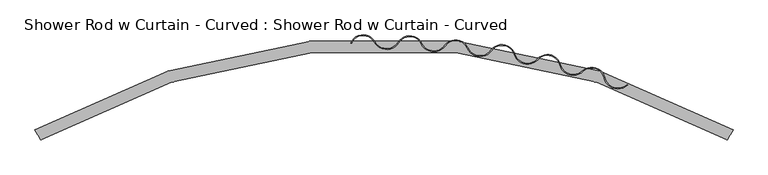
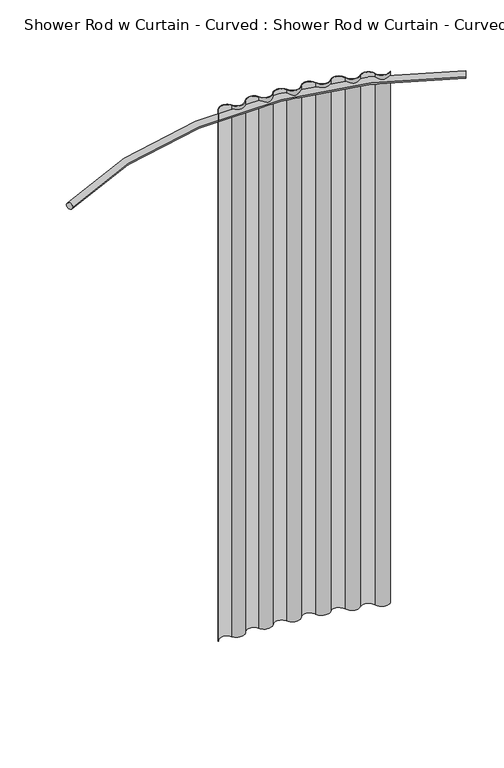
"""IFC4 building model written with IfcOpenShell, lengths in millimetres: proxy geometry, Shower Rod w Curtain - Curved : Shower Rod w Curtain - Curved."""

from ifc_helpers import new_model, si_unit, point, frame, frame_2d, origin, origin_with_axes, place, context, project, spatial, polyline, circle_curve, ellipse_curve, trimmed, segment, composite_curve, outline, extrude, source, transform, mapped, element, save
from ifc_brep_helpers import plane_surface, revolved_surface, advanced_brep


def shower_rod_w_curtain_curved_shower_rod_w_curtain_curved_4cc9c73f(model_context):
    return source(origin(), model_context, "Body", "SolidModel", [
        extrude(outline(composite_curve([segment(trimmed(circle_curve(frame_2d((514.8297848, 702.8859339)), 29.5590224), [point((486.0010068, 696.3562049))], [point((534.3146778, 680.6581416))], True, "CARTESIAN"), True, "CONTINUOUS"), segment(polyline([(534.3146778, 680.6581416), (536.0561093, 680.0923162)]), True, "CONTINUOUS"), segment(trimmed(circle_curve(frame_2d((514.8297848, 702.8859339)), 31.1465224), [point((536.0561093, 680.0923162))], [point((484.4527254, 696.0055186))], False, "CARTESIAN"), True, "CONTINUOUS"), segment(trimmed(circle_curve(frame_2d((457.1722287, 689.8264759)), 27.9715224), [point((484.4527254, 696.0055186))], [point((438.7337935, 710.8605))], True, "CARTESIAN"), True, "CONTINUOUS"), segment(trimmed(circle_curve(frame_2d((416.7249138, 732.8994444)), 31.1465224), [point((438.7337935, 710.8605))], [point((386.6064822, 724.9630764))], False, "CARTESIAN"), True, "CONTINUOUS"), segment(trimmed(circle_curve(frame_2d((359.5582496, 717.8357222)), 27.9715224), [point((386.6064822, 724.9630764))], [point((338.9803003, 736.7818054))], True, "CARTESIAN"), True, "CONTINUOUS"), segment(trimmed(circle_curve(frame_2d((315.8481538, 757.6386905)), 31.1465224), [point((338.9803003, 736.7818054))], [point((286.1863559, 748.136922))], False, "CARTESIAN"), True, "CONTINUOUS"), segment(trimmed(circle_curve(frame_2d((259.5482088, 739.6037405)), 27.9715224), [point((286.1863559, 748.136922))], [point((236.785781, 755.8603682))], True, "CARTESIAN"), True, "CONTINUOUS"), segment(trimmed(circle_curve(frame_2d((211.6002166, 774.1850293)), 31.1465224), [point((236.785781, 755.8603682))], [point((183.0941144, 761.6348104))], False, "CARTESIAN"), True, "CONTINUOUS"), segment(trimmed(circle_curve(frame_2d((157.4938542, 750.36393)), 27.9715224), [point((183.0941144, 761.6348104))], [point((135.380704, 767.4932805))], True, "CARTESIAN"), True, "CONTINUOUS"), segment(trimmed(circle_curve(frame_2d((109.5709605, 784.9278152)), 31.1465224), [point((135.380704, 767.4932805))], [point((81.5202198, 771.390393))], False, "CARTESIAN"), True, "CONTINUOUS"), segment(trimmed(circle_curve(frame_2d((56.3289027, 759.2329423)), 27.9715224), [point((81.5202198, 771.390393))], [point((32.5139452, 773.9044747))], True, "CARTESIAN"), True, "CONTINUOUS"), segment(trimmed(circle_curve(frame_2d((5.82712, 789.9643384)), 31.1465224), [point((32.5139452, 773.9044747))], [point((-21.4766842, 774.9774064))], False, "CARTESIAN"), True, "CONTINUOUS"), segment(trimmed(circle_curve(frame_2d((-45.9972057, 761.5182054)), 27.9715224), [point((-21.4766842, 774.9774064))], [point((-71.4433344, 773.132877))], True, "CARTESIAN"), True, "CONTINUOUS"), segment(polyline([(-71.4433344, 773.132877), (-73.2318291, 773.0078133)]), True, "CONTINUOUS"), segment(trimmed(circle_curve(frame_2d((-45.9972057, 761.5182054)), 29.5590224), [point((-73.2318291, 773.0078133))], [point((-20.0850428, 775.7412719))], False, "CARTESIAN"), True, "CONTINUOUS"), segment(trimmed(circle_curve(frame_2d((5.82712, 789.9643384)), 29.5590224), [point((-20.0850428, 775.7412719))], [point((30.9981259, 774.4673623))], True, "CARTESIAN"), True, "CONTINUOUS"), segment(trimmed(circle_curve(frame_2d((56.3289027, 759.2329423)), 29.5590224), [point((30.9981259, 774.4673623))], [point((82.9499316, 772.0803787))], False, "CARTESIAN"), True, "CONTINUOUS"), segment(trimmed(circle_curve(frame_2d((109.5709605, 784.9278152)), 29.5590224), [point((82.9499316, 772.0803787))], [point((134.0932828, 768.4235275))], True, "CARTESIAN"), True, "CONTINUOUS"), segment(trimmed(circle_curve(frame_2d((157.4938542, 750.36393)), 29.5590224), [point((134.0932828, 768.4235275))], [point((184.5470354, 762.2744796))], False, "CARTESIAN"), True, "CONTINUOUS"), segment(trimmed(circle_curve(frame_2d((211.6002166, 774.1850293)), 29.5590224), [point((184.5470354, 762.2744796))], [point((235.4980962, 756.7888471))], True, "CARTESIAN"), True, "CONTINUOUS"), segment(trimmed(circle_curve(frame_2d((259.5482088, 739.6037405)), 29.5590224), [point((235.4980962, 756.7888471))], [point((287.6981813, 748.6212155))], False, "CARTESIAN"), True, "CONTINUOUS"), segment(trimmed(circle_curve(frame_2d((315.8481538, 757.6386905)), 29.5590224), [point((287.6981813, 748.6212155))], [point((337.5997349, 737.6235832))], True, "CARTESIAN"), True, "CONTINUOUS"), segment(trimmed(circle_curve(frame_2d((359.5582496, 717.8357222)), 29.5590224), [point((337.5997349, 737.6235832))], [point((388.1415817, 725.3675833))], False, "CARTESIAN"), True, "CONTINUOUS"), segment(trimmed(circle_curve(frame_2d((416.7249138, 732.8994444)), 29.5590224), [point((388.1415817, 725.3675833))], [point((437.6475254, 712.0193073))], True, "CARTESIAN"), True, "CONTINUOUS"), segment(trimmed(circle_curve(frame_2d((457.1722287, 689.8264759)), 29.5590224), [point((437.6475254, 712.0193073))], [point((486.0010068, 696.3562049))], False, "CARTESIAN"), True, "CONTINUOUS")], self_intersect=False)), origin_with_axes(), (0.0, 0.0, 1.0), 2159.0),
        advanced_brep(
        [(-768.3236515, 580.9261929, 2133.6), (-755.6763485, 558.8988071, 2133.6), (768.3236515, 580.9261929, 2133.6), (755.6763485, 558.8988071, 2133.6)],
        [
            (0, 1, circle_curve(frame((-762.0, 569.9125, 2133.6), z_axis=(-0.8672199170124492, -0.49792531120331773, 0.0), x_axis=(0.49792531120331773, -0.8672199170124492, 0.0)), 12.7)),
            (1, 0, circle_curve(frame((-762.0, 569.9125, 2133.6), z_axis=(-0.8672199170124492, -0.49792531120331773, 0.0), x_axis=(0.49792531120331773, -0.8672199170124492, 0.0)), 12.7)),
            (2, 3, circle_curve(frame((762.0, 569.9125, 2133.6), z_axis=(0.8672199170124528, -0.4979253112033114, 0.0), x_axis=(-0.4979253112033114, -0.8672199170124528, 0.0)), 12.7)),
            (3, 2, circle_curve(frame((762.0, 569.9125, 2133.6), z_axis=(0.8672199170124528, -0.4979253112033114, 0.0), x_axis=(-0.4979253112033114, -0.8672199170124528, 0.0)), 12.7)),
            (3, 1, circle_curve(frame((0.0, -757.2375, 2133.6), z_axis=(0.0, 0.0, 1.0), x_axis=(-0.4979253112033232, 0.867219917012446, 0.0)), 1517.65)),
            (0, 2, circle_curve(frame((0.0, -757.2375, 2133.6), z_axis=(0.0, 0.0, -1.0), x_axis=(-0.4979253112033232, 0.867219917012446, 0.0)), 1543.05)),
        ],
        [
            plane_surface(frame((-762.0, 569.9125, 0.0), z_axis=(-0.867219917012446, -0.4979253112033232, 0.0), x_axis=(0.0, 0.0, 1.0))),
            plane_surface(frame((762.0, 569.9125, 0.0), z_axis=(0.867219917012456, -0.49792531120330596, 0.0), x_axis=(0.0, 0.0, 1.0))),
            revolved_surface(trimmed(ellipse_curve(frame((-762.0, 569.9125, 2133.6), z_axis=(-0.8672199170124492, -0.49792531120331773, 0.0), x_axis=(0.49792531120331773, -0.8672199170124492, 0.0)), 12.7, 12.7), [point((-768.3236515, 580.9261929, 2133.6))], [point((-755.6763485, 558.8988071, 2133.6))], True, "CARTESIAN"), (0.0, -757.2375, 0.0), (0.0, 0.0, -1.0)),
            revolved_surface(trimmed(ellipse_curve(frame((-762.0, 569.9125, 2133.6), z_axis=(-0.8672199170124492, -0.49792531120331773, 0.0), x_axis=(0.49792531120331773, -0.8672199170124492, 0.0)), 12.7, 12.7), [point((-755.6763485, 558.8988071, 2133.6))], [point((-768.3236515, 580.9261929, 2133.6))], True, "CARTESIAN"), (0.0, -757.2375, 0.0), (0.0, 0.0, -1.0)),
        ],
        [
            (0, [[1, 2]]),
            (1, [[3, 4]]),
            (2, [[5, -1, 6, -4]]),
            (3, [[-6, -2, -5, -3]]),
        ],
    ),
    ])


if __name__ == "__main__":
    model = new_model("IFC4")
    model_context = context("Model", 3, world=origin())
    ifc_project = project(units=[si_unit("LENGTHUNIT", "METRE", prefix="MILLI")], contexts=[model_context])
    site = spatial("IfcSite", under=ifc_project)
    building = spatial("IfcBuilding", under=site)
    placement = place(None, origin())
    shower_rod_w_curtain_curved_shower_rod_w_curtain_curved_shape = shower_rod_w_curtain_curved_shower_rod_w_curtain_curved_4cc9c73f(model_context)
    element("IfcBuildingElementProxy", 1, Name="Shower Rod w Curtain - Curved : Shower Rod w Curtain - Curved", ObjectType="Shower Rod w Curtain - Curved : Shower Rod w Curtain - Curved", at=placement, inside=building, context=model_context, shape_type="MappedRepresentation", body=[
        mapped(shower_rod_w_curtain_curved_shower_rod_w_curtain_curved_shape, transform((0.0, 0.0, 0.0), x_axis=(1.0, 0.0, 0.0), y_axis=(0.0, 1.0, 0.0), z_axis=(0.0, 0.0, 1.0))),
    ])
    save(model, "model.ifc")
